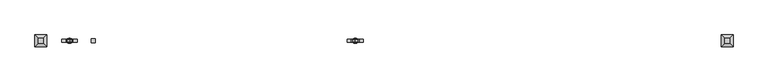
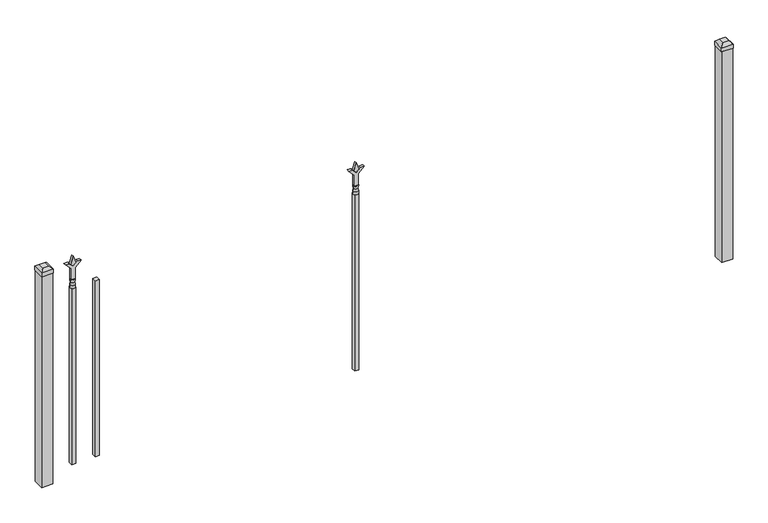
"""IFC4 building model written with IfcOpenShell, lengths in millimetres: railing geometry."""

import ifcopenshell
import ifcopenshell.guid

model = None  # the IFC model being written
_history = None  # IfcOwnerHistory: only IFC2X3 demands one
_inside = {}  # id of a spatial element -> (the spatial element, [elements in it])
_under = {}  # id of a project, library or spatial element -> (it, [spatial elements below it])
_declared = {}  # id of a project -> (the project, [libraries it declares])
_typed = {}  # id of a type object -> (the type object, [elements of that type])
_made_of = {}  # id of a material, layer set ... -> (it, [elements and type objects made of it])


def new_model(schema):
    """Start an empty IFC model of exactly this schema.

    Asked for "IFC4X3", IfcOpenShell would pick the latest addendum, in which some entities
    have other attributes; the version numbers below select the first issue.
    IFC2X3 requires an IfcOwnerHistory on every rooted entity: one is made here for all.
    """
    global model, _history
    if schema == "IFC4X3":
        model = ifcopenshell.file(schema_version=(4, 3, 0, 0))
    else:
        model = ifcopenshell.file(schema=schema)
    _inside.clear()
    _under.clear()
    _declared.clear()
    _typed.clear()
    _made_of.clear()
    _history = None
    if model.schema == "IFC2X3":
        org = make("IfcOrganization", Name="unknown")
        user = make(
            "IfcPersonAndOrganization",
            ThePerson=make("IfcPerson", FamilyName="unknown"),
            TheOrganization=org,
        )
        app = make(
            "IfcApplication",
            ApplicationDeveloper=org,
            Version="unknown",
            ApplicationFullName="unknown",
            ApplicationIdentifier="unknown",
        )
        _history = make(
            "IfcOwnerHistory",
            OwningUser=user,
            OwningApplication=app,
            ChangeAction="ADDED",
            CreationDate=0,
        )
    return model


def make(cls, **values):
    """One entity of the class cls with the attributes given. An attribute that is None is left unset."""
    return model.create_entity(
        cls, **{name: value for name, value in values.items() if value is not None}
    )


def rooted(cls, **values):
    """An entity with a GlobalId (a new one), such as an element, a storey or a relation."""
    return make(cls, GlobalId=ifcopenshell.guid.new(), OwnerHistory=_history, **values)


def si_unit(unit_type, name, prefix=None):
    """IfcSIUnit, for example si_unit("LENGTHUNIT", "METRE", prefix="MILLI")."""
    return make("IfcSIUnit", UnitType=unit_type, Prefix=prefix, Name=name)


def assignment(units):
    """IfcUnitAssignment: the units of a project."""
    return None if units is None else make("IfcUnitAssignment", Units=units)


def point(xyz):
    """IfcCartesianPoint."""
    return None if xyz is None else make("IfcCartesianPoint", Coordinates=xyz)


def direction(xyz):
    """IfcDirection."""
    return None if xyz is None else make("IfcDirection", DirectionRatios=xyz)


def frame(location, z_axis=None, x_axis=None):
    """IfcAxis2Placement3D, a coordinate frame: its origin and axes. An axis left out is left unset."""
    return make(
        "IfcAxis2Placement3D",
        Location=point(location),
        Axis=direction(z_axis),
        RefDirection=direction(x_axis),
    )


def origin():
    """The frame at (0, 0, 0) with its axes left unset."""
    return frame((0.0, 0.0, 0.0))


def origin_with_axes():
    """The frame at (0, 0, 0) with the z axis (0, 0, 1) and the x axis (1, 0, 0) written out."""
    return frame((0.0, 0.0, 0.0), z_axis=(0.0, 0.0, 1.0), x_axis=(1.0, 0.0, 0.0))


def place(relative_to, where):
    """IfcLocalPlacement: puts the frame where relative to a parent placement (None: the world)."""
    return make(
        "IfcLocalPlacement", PlacementRelTo=relative_to, RelativePlacement=where
    )


def context(
    kind, dimensions, precision=None, world=None, true_north=None, identifier=None
):
    """IfcGeometricRepresentationContext, for example the 3D "Model" context."""
    return make(
        "IfcGeometricRepresentationContext",
        ContextIdentifier=identifier,
        ContextType=kind,
        CoordinateSpaceDimension=dimensions,
        Precision=precision,
        WorldCoordinateSystem=world,
        TrueNorth=true_north,
    )


def project(units=None, contexts=None):
    """IfcProject with its units and contexts."""
    return rooted(
        "IfcProject",
        Name="project",
        RepresentationContexts=contexts,
        UnitsInContext=assignment(units),
    )


def spatial(cls, under=None, at=None, **own):
    """A site, building, storey or space (cls), placed at a placement, below another one or the project."""
    s = rooted(cls, ObjectPlacement=at, **own)
    if under is not None:
        _under.setdefault(under.id(), (under, []))[1].append(s)
    return s


def polyline(points):
    """IfcPolyline through the points."""
    return make("IfcPolyline", Points=[point(p) for p in points])


def circle_curve(where, radius):
    """IfcCircle in the frame where."""
    return make("IfcCircle", Position=where, Radius=radius)


def outline(outer, holes=None, kind="AREA"):
    """IfcArbitraryClosedProfileDef: a profile drawn as a closed curve; with holes, ...WithVoids."""
    if holes is None:
        return make("IfcArbitraryClosedProfileDef", ProfileType=kind, OuterCurve=outer)
    return make(
        "IfcArbitraryProfileDefWithVoids",
        ProfileType=kind,
        OuterCurve=outer,
        InnerCurves=holes,
    )


def extrude(swept, where, along, depth):
    """IfcExtrudedAreaSolid: the profile swept, set in the frame where, extruded along a direction by depth."""
    return make(
        "IfcExtrudedAreaSolid",
        SweptArea=swept,
        Position=where,
        ExtrudedDirection=direction(along),
        Depth=depth,
    )


def faces_of(points, faces, orient=None, outer=None):
    """IfcFace entities. A face is a list of loops; a loop is a list of indices into points, from 0.

    orient and outer hold one flag for each loop. By default every Orientation is true, the
    first loop of a face is its IfcFaceOuterBound and the others are IfcFaceBound.
    """
    made = []
    for i, loops in enumerate(faces):
        bounds = []
        for j, loop in enumerate(loops):
            is_outer = j == 0 if outer is None else outer[i][j]
            bounds.append(
                make(
                    "IfcFaceOuterBound" if is_outer else "IfcFaceBound",
                    Bound=make("IfcPolyLoop", Polygon=[points[k] for k in loop]),
                    Orientation=True if orient is None else orient[i][j],
                )
            )
        made.append(make("IfcFace", Bounds=bounds))
    return made


def faceted_brep(points, faces, orient=None, outer=None, voids=None):
    """IfcFacetedBrep: a solid bounded by flat faces; with voids (closed shells), ...WithVoids."""
    shared = [point(p) for p in points]
    hull = make("IfcClosedShell", CfsFaces=faces_of(shared, faces, orient, outer))
    if voids is None:
        return make("IfcFacetedBrep", Outer=hull)
    return make(
        "IfcFacetedBrepWithVoids",
        Outer=hull,
        Voids=[
            make(cls, CfsFaces=faces_of(shared, fs, o, b)) for cls, fs, o, b in voids
        ],
    )


def shape(context_of_items, identifier, shape_type, items):
    """IfcShapeRepresentation: the items that make up one representation, for example the "Body"."""
    return make(
        "IfcShapeRepresentation",
        ContextOfItems=context_of_items,
        RepresentationIdentifier=identifier,
        RepresentationType=shape_type,
        Items=items,
    )


def source(mapping_origin, context_of_items, identifier, shape_type, items):
    """IfcRepresentationMap: a shape defined once, which mapped items show again and again."""
    return make(
        "IfcRepresentationMap",
        MappingOrigin=mapping_origin,
        MappedRepresentation=shape(context_of_items, identifier, shape_type, items),
    )


def transform(
    local_origin,
    x_axis=None,
    y_axis=None,
    z_axis=None,
    scale=None,
    scale2=None,
    scale3=None,
    uniform=True,
):
    """IfcCartesianTransformationOperator3D, or its non-uniform kind. x_axis, y_axis, z_axis: its Axis1, 2, 3."""
    if uniform:
        return make(
            "IfcCartesianTransformationOperator3D",
            Axis1=direction(x_axis),
            Axis2=direction(y_axis),
            LocalOrigin=point(local_origin),
            Scale=scale,
            Axis3=direction(z_axis),
        )
    return make(
        "IfcCartesianTransformationOperator3DnonUniform",
        Axis1=direction(x_axis),
        Axis2=direction(y_axis),
        LocalOrigin=point(local_origin),
        Scale=scale,
        Axis3=direction(z_axis),
        Scale2=scale2,
        Scale3=scale3,
    )


def mapped(mapping_source, mapping_target):
    """IfcMappedItem: shows the shape of a source again, moved by a transform."""
    return make(
        "IfcMappedItem", MappingSource=mapping_source, MappingTarget=mapping_target
    )


def made_of(thing, what):
    """Note that an element or type object is made of a material, layer set ...; save() writes the relation."""
    if what is not None:
        _made_of.setdefault(what.id(), (what, []))[1].append(thing)
    return thing


def element(
    cls,
    number,
    at=None,
    inside=None,
    cuts=None,
    type_object=None,
    material=None,
    context=None,
    identifier="Body",
    shape_type=None,
    held_by="IfcProductDefinitionShape",
    body=None,
    shapes=None,
    **own,
):
    """One element of the class cls, such as IfcWall. Its Tag is "e" and its number.

    at: its placement. inside: the storey or other place that contains it. cuts: it is an
    opening in that element (IfcRelVoidsElement). A single representation is given by context,
    identifier, shape_type and body (its items); several are given by shapes. held_by: the class
    of the entity that holds the representations. save() writes the other relations.
    """
    e = rooted(cls, Tag="e%d" % number, ObjectPlacement=at, **own)
    if body is not None:
        shapes = [shape(context, identifier, shape_type, body)]
    if shapes is not None:
        e.Representation = make(held_by, Representations=shapes)
    if inside is not None:
        _inside.setdefault(inside.id(), (inside, []))[1].append(e)
    if cuts is not None:
        rooted(
            "IfcRelVoidsElement", RelatingBuildingElement=cuts, RelatedOpeningElement=e
        )
    if type_object is not None:
        _typed.setdefault(type_object.id(), (type_object, []))[1].append(e)
    return made_of(e, material)


def aggregate(whole, parts):
    """IfcRelAggregates: a whole, such as a stair, and the parts it consists of."""
    return rooted("IfcRelAggregates", RelatingObject=whole, RelatedObjects=parts)


def save(model, path):
    """Write the relations noted so far, then the file.

    IfcRelAggregates (storeys below a building ...), IfcRelContainedInSpatialStructure (elements
    in a storey), IfcRelDefinesByType, IfcRelAssociatesMaterial and IfcRelDeclares: one each for
    every whole, place, type object, material and project.
    """
    for whole, parts in _under.values():
        aggregate(whole, parts)
    for where, things in _inside.values():
        rooted(
            "IfcRelContainedInSpatialStructure",
            RelatedElements=things,
            RelatingStructure=where,
        )
    for kind, things in _typed.values():
        rooted("IfcRelDefinesByType", RelatedObjects=things, RelatingType=kind)
    for what, things in _made_of.values():
        rooted("IfcRelAssociatesMaterial", RelatedObjects=things, RelatingMaterial=what)
    for by, libraries in _declared.values():
        rooted("IfcRelDeclares", RelatingContext=by, RelatedDefinitions=libraries)
    model.write(path)


def plane_surface(at):
    """IfcPlane: the flat surface through the origin of the frame at, square to its z axis."""
    return make("IfcPlane", Position=at)


def cylinder_surface(at, radius):
    """IfcCylindricalSurface: all points at the distance radius from the z axis of the frame at."""
    return make("IfcCylindricalSurface", Position=at, Radius=radius)


def revolved_surface(curve, axis_point, axis_direction):
    """IfcSurfaceOfRevolution: the curve turned about the line through axis_point along axis_direction."""
    return make(
        "IfcSurfaceOfRevolution",
        SweptCurve=make("IfcArbitraryOpenProfileDef", ProfileType="CURVE", Curve=curve),
        AxisPosition=make("IfcAxis1Placement", Location=point(axis_point), Axis=direction(axis_direction)),
    )


def advanced_brep(points, edges, surfaces, faces):
    """IfcAdvancedBrep: a solid bounded by faces that lie on surfaces and meet in shared edges.

    An edge is (start, end): straight between two places in points (the first is 0);
    or (start, end, curve); or (start, end, curve, False) where it runs against its curve.
    A face is (place in surfaces, loops), or (place, loops, False) where it looks against
    its surface's normal. A loop lists edges by number (the first is 1), with a minus sign
    where the edge is run from its end to its start. The first loop is the outer one.
    """
    corners = [point(p) for p in points]
    vertices = [make("IfcVertexPoint", VertexGeometry=c) for c in corners]
    made = []
    for start, end, *more in edges:
        made.append(
            make(
                "IfcEdgeCurve",
                EdgeStart=vertices[start],
                EdgeEnd=vertices[end],
                EdgeGeometry=more[0] if more else make("IfcPolyline", Points=[corners[start], corners[end]]),
                SameSense=more[1] if len(more) > 1 else True,
            )
        )
    hull = []
    for where, loops, *sense in faces:
        bounds = []
        for j, loop in enumerate(loops):
            ring = [make("IfcOrientedEdge", EdgeElement=made[abs(k) - 1], Orientation=k > 0) for k in loop]
            bounds.append(
                make(
                    "IfcFaceOuterBound" if j == 0 else "IfcFaceBound",
                    Bound=make("IfcEdgeLoop", EdgeList=ring),
                    Orientation=True,
                )
            )
        hull.append(make("IfcAdvancedFace", Bounds=bounds, FaceSurface=surfaces[where], SameSense=sense[0] if sense else True))
    return make("IfcAdvancedBrep", Outer=make("IfcClosedShell", CfsFaces=hull))


def railing_79447b74(model_context):
    return source(origin(), model_context, "Body", "SolidModel", [
        extrude(outline(polyline([(-85497.8076703, 5470.2679826), (-85478.7576703, 5470.2679826), (-85478.7576703, 5451.2179826), (-85497.8076703, 5451.2179826), (-85497.8076703, 5470.2679826)])), frame((0.0, 0.0, 50.8), z_axis=(0.0, 0.0, 1.0), x_axis=(1.0, 0.0, 0.0)), (0.0, 0.0, 1.0), 863.6),
        extrude(outline(polyline([(1031.08125, -84274.374337), (1066.8, -84286.280587), (1031.08125, -84298.186837), (1019.175, -84286.280587), (1031.08125, -84274.374337)])), frame((0.0, 5455.9804826, 0.0), z_axis=(0.0, 1.0, 0.0), x_axis=(0.0, 0.0, 1.0)), (0.0, 0.0, 1.0), 9.525),
        extrude(outline(polyline([(955.675, -84277.549337), (1009.9457378, -84277.549337), (1037.1355122, -84250.3595625), (1037.1355122, -84268.3200747), (1019.175, -84286.280587), (1037.1355122, -84304.2410992), (1037.1355122, -84322.2016114), (1009.9457378, -84295.011837), (955.675, -84295.011837), (955.675, -84277.549337)])), frame((0.0, 5454.3929826, 0.0), z_axis=(0.0, 1.0, 0.0), x_axis=(0.0, 0.0, 1.0)), (0.0, 0.0, 1.0), 12.7),
        advanced_brep(
        [(-84274.374337, 5460.7429826, 927.1), (-84298.186837, 5460.7429826, 927.1), (-84298.186837, 5460.7429826, 914.4), (-84274.374337, 5460.7429826, 914.4), (-84276.5796688, 5460.7429826, 939.6070585), (-84295.9815051, 5460.7429826, 939.6070585), (-84274.374337, 5460.7429826, 955.675), (-84298.186837, 5460.7429826, 955.675), (-84286.280587, 5460.7429826, 955.675), (-84286.280587, 5460.7429826, 914.4)],
        [
            (0, 1, circle_curve(frame((-84286.280587, 5460.7429826, 927.1), z_axis=(0.0, 0.0, -1.0), x_axis=(-1.0, 0.0, 0.0)), 11.90625)),
            (1, 2),
            (2, 3, circle_curve(frame((-84286.280587, 5460.7429826, 914.4), z_axis=(0.0, 0.0, 1.0), x_axis=(-1.0, 0.0, 0.0)), 11.90625)),
            (3, 0),
            (1, 0, circle_curve(frame((-84286.280587, 5460.7429826, 927.1), z_axis=(0.0, 0.0, -1.0), x_axis=(-1.0, 0.0, 0.0)), 11.90625)),
            (3, 2, circle_curve(frame((-84286.280587, 5460.7429826, 914.4), z_axis=(0.0, 0.0, 1.0), x_axis=(-1.0, 0.0, 0.0)), 11.90625)),
            (4, 5, circle_curve(frame((-84286.280587, 5460.7429826, 939.6070585), z_axis=(0.0, 0.0, -1.0), x_axis=(-1.0, 0.0, 0.0)), 9.7009181)),
            (5, 1),
            (0, 4),
            (5, 4, circle_curve(frame((-84286.280587, 5460.7429826, 939.6070585), z_axis=(0.0, 0.0, -1.0), x_axis=(-1.0, 0.0, 0.0)), 9.7009181)),
            (6, 7, circle_curve(frame((-84286.280587, 5460.7429826, 955.675), z_axis=(0.0, 0.0, -1.0), x_axis=(-1.0, 0.0, 0.0)), 11.90625)),
            (7, 5),
            (4, 6),
            (7, 6, circle_curve(frame((-84286.280587, 5460.7429826, 955.675), z_axis=(0.0, 0.0, -1.0), x_axis=(-1.0, 0.0, 0.0)), 11.90625)),
            (8, 7),
            (6, 8),
            (2, 9),
            (9, 3),
        ],
        [
            cylinder_surface(frame((-84286.280587, 5460.7429826, 914.4), z_axis=(0.0, 0.0, 1.0), x_axis=(-1.0, 0.0, 0.0)), 11.90625),
            revolved_surface(polyline([(-84298.186837, 5460.7429826, 927.1), (-84295.9815051, 5460.7429826, 939.6070585)]), (-84286.280587, 5460.7429826, 914.4), (0.0, 0.0, 1.0)),
            revolved_surface(polyline([(-84295.9815051, 5460.7429826, 939.6070585), (-84298.186837, 5460.7429826, 955.675)]), (-84286.280587, 5460.7429826, 914.4), (0.0, 0.0, 1.0)),
            plane_surface(frame((-84286.280587, 5460.7429826, 955.675), z_axis=(0.0, 0.0, 1.0), x_axis=(-1.0, 0.0, 0.0))),
            plane_surface(frame((-84286.280587, 5460.7429826, 914.4), z_axis=(0.0, 0.0, -1.0), x_axis=(-1.0, 0.0, 0.0))),
        ],
        [
            (0, [[1, 2, 3, 4]]),
            (0, [[5, -4, 6, -2]]),
            (1, [[7, 8, -1, 9]]),
            (1, [[10, -9, -5, -8]]),
            (2, [[11, 12, -7, 13]]),
            (2, [[14, -13, -10, -12]]),
            (3, [[15, -11, 16]]),
            (3, [[-16, -14, -15]]),
            (4, [[-3, 17, 18]]),
            (4, [[-6, -18, -17]]),
        ],
    ),
        extrude(outline(polyline([(-84295.805587, 5470.2679826), (-84276.755587, 5470.2679826), (-84276.755587, 5451.2179826), (-84295.805587, 5451.2179826), (-84295.805587, 5470.2679826)])), frame((0.0, 0.0, 50.8), z_axis=(0.0, 0.0, 1.0), x_axis=(1.0, 0.0, 0.0)), (0.0, 0.0, 1.0), 863.6),
        extrude(outline(polyline([(1031.08125, -85585.649337), (1066.8, -85597.555587), (1031.08125, -85609.461837), (1019.175, -85597.555587), (1031.08125, -85585.649337)])), frame((0.0, 5455.9804826, 0.0), z_axis=(0.0, 1.0, 0.0), x_axis=(0.0, 0.0, 1.0)), (0.0, 0.0, 1.0), 9.525),
        extrude(outline(polyline([(955.675, -85588.824337), (1009.9457378, -85588.824337), (1037.1355122, -85561.6345625), (1037.1355122, -85579.5950747), (1019.175, -85597.555587), (1037.1355122, -85615.5160992), (1037.1355122, -85633.4766114), (1009.9457378, -85606.286837), (955.675, -85606.286837), (955.675, -85588.824337)])), frame((0.0, 5454.3929826, 0.0), z_axis=(0.0, 1.0, 0.0), x_axis=(0.0, 0.0, 1.0)), (0.0, 0.0, 1.0), 12.7),
        advanced_brep(
        [(-85585.649337, 5460.7429826, 927.1), (-85609.461837, 5460.7429826, 927.1), (-85609.461837, 5460.7429826, 914.4), (-85585.649337, 5460.7429826, 914.4), (-85587.8546688, 5460.7429826, 939.6070585), (-85607.2565051, 5460.7429826, 939.6070585), (-85585.649337, 5460.7429826, 955.675), (-85609.461837, 5460.7429826, 955.675), (-85597.555587, 5460.7429826, 955.675), (-85597.555587, 5460.7429826, 914.4)],
        [
            (0, 1, circle_curve(frame((-85597.555587, 5460.7429826, 927.1), z_axis=(0.0, 0.0, -1.0), x_axis=(-1.0, 0.0, 0.0)), 11.90625)),
            (1, 2),
            (2, 3, circle_curve(frame((-85597.555587, 5460.7429826, 914.4), z_axis=(0.0, 0.0, 1.0), x_axis=(-1.0, 0.0, 0.0)), 11.90625)),
            (3, 0),
            (1, 0, circle_curve(frame((-85597.555587, 5460.7429826, 927.1), z_axis=(0.0, 0.0, -1.0), x_axis=(-1.0, 0.0, 0.0)), 11.90625)),
            (3, 2, circle_curve(frame((-85597.555587, 5460.7429826, 914.4), z_axis=(0.0, 0.0, 1.0), x_axis=(-1.0, 0.0, 0.0)), 11.90625)),
            (4, 5, circle_curve(frame((-85597.555587, 5460.7429826, 939.6070585), z_axis=(0.0, 0.0, -1.0), x_axis=(-1.0, 0.0, 0.0)), 9.7009181)),
            (5, 1),
            (0, 4),
            (5, 4, circle_curve(frame((-85597.555587, 5460.7429826, 939.6070585), z_axis=(0.0, 0.0, -1.0), x_axis=(-1.0, 0.0, 0.0)), 9.7009181)),
            (6, 7, circle_curve(frame((-85597.555587, 5460.7429826, 955.675), z_axis=(0.0, 0.0, -1.0), x_axis=(-1.0, 0.0, 0.0)), 11.90625)),
            (7, 5),
            (4, 6),
            (7, 6, circle_curve(frame((-85597.555587, 5460.7429826, 955.675), z_axis=(0.0, 0.0, -1.0), x_axis=(-1.0, 0.0, 0.0)), 11.90625)),
            (8, 7),
            (6, 8),
            (2, 9),
            (9, 3),
        ],
        [
            cylinder_surface(frame((-85597.555587, 5460.7429826, 914.4), z_axis=(0.0, 0.0, 1.0), x_axis=(-1.0, 0.0, 0.0)), 11.90625),
            revolved_surface(polyline([(-85609.461837, 5460.7429826, 927.1), (-85607.2565051, 5460.7429826, 939.6070585)]), (-85597.555587, 5460.7429826, 914.4), (0.0, 0.0, 1.0)),
            revolved_surface(polyline([(-85607.2565051, 5460.7429826, 939.6070585), (-85609.461837, 5460.7429826, 955.675)]), (-85597.555587, 5460.7429826, 914.4), (0.0, 0.0, 1.0)),
            plane_surface(frame((-85597.555587, 5460.7429826, 955.675), z_axis=(0.0, 0.0, 1.0), x_axis=(-1.0, 0.0, 0.0))),
            plane_surface(frame((-85597.555587, 5460.7429826, 914.4), z_axis=(0.0, 0.0, -1.0), x_axis=(-1.0, 0.0, 0.0))),
        ],
        [
            (0, [[1, 2, 3, 4]]),
            (0, [[5, -4, 6, -2]]),
            (1, [[7, 8, -1, 9]]),
            (1, [[10, -9, -5, -8]]),
            (2, [[11, 12, -7, 13]]),
            (2, [[14, -13, -10, -12]]),
            (3, [[15, -11, 16]]),
            (3, [[-16, -14, -15]]),
            (4, [[-3, 17, 18]]),
            (4, [[-6, -18, -17]]),
        ],
    ),
        extrude(outline(polyline([(-85607.080587, 5470.2679826), (-85588.030587, 5470.2679826), (-85588.030587, 5451.2179826), (-85607.080587, 5451.2179826), (-85607.080587, 5470.2679826)])), frame((0.0, 0.0, 50.8), z_axis=(0.0, 0.0, 1.0), x_axis=(1.0, 0.0, 0.0)), (0.0, 0.0, 1.0), 863.6),
        faceted_brep([(-82606.705587, 5487.7304826, 1054.1), (-82606.705587, 5487.7304826, 1035.05), (-82606.705587, 5433.7554826, 1035.05), (-82606.705587, 5433.7554826, 1054.1), (-82594.005587, 5475.0304826, 1066.8), (-82594.005587, 5446.4554826, 1066.8), (-82552.730587, 5433.7554826, 1035.05), (-82552.730587, 5433.7554826, 1054.1), (-82565.430587, 5446.4554826, 1066.8), (-82552.730587, 5487.7304826, 1035.05), (-82552.730587, 5487.7304826, 1054.1), (-82565.430587, 5475.0304826, 1066.8)], [[[0, 1, 2, 3]], [[4, 0, 3, 5]], [[3, 2, 6, 7]], [[5, 3, 7, 8]], [[7, 6, 9, 10]], [[8, 7, 10, 11]], [[10, 9, 1, 0]], [[11, 10, 0, 4]], [[5, 8, 11, 4]], [[1, 9, 6, 2]]]),
        extrude(outline(polyline([(-82554.318087, 5486.1429826), (-82554.318087, 5435.3429826), (-82605.118087, 5435.3429826), (-82605.118087, 5486.1429826), (-82554.318087, 5486.1429826)])), origin_with_axes(), (0.0, 0.0, 1.0), 1035.05),
        faceted_brep([(-85756.305587, 5487.7304826, 1054.1), (-85756.305587, 5487.7304826, 1035.05), (-85756.305587, 5433.7554826, 1035.05), (-85756.305587, 5433.7554826, 1054.1), (-85743.605587, 5475.0304826, 1066.8), (-85743.605587, 5446.4554826, 1066.8), (-85702.330587, 5433.7554826, 1035.05), (-85702.330587, 5433.7554826, 1054.1), (-85715.030587, 5446.4554826, 1066.8), (-85702.330587, 5487.7304826, 1035.05), (-85702.330587, 5487.7304826, 1054.1), (-85715.030587, 5475.0304826, 1066.8)], [[[0, 1, 2, 3]], [[4, 0, 3, 5]], [[3, 2, 6, 7]], [[5, 3, 7, 8]], [[7, 6, 9, 10]], [[8, 7, 10, 11]], [[10, 9, 1, 0]], [[11, 10, 0, 4]], [[5, 8, 11, 4]], [[1, 9, 6, 2]]]),
        extrude(outline(polyline([(-85703.918087, 5486.1429826), (-85703.918087, 5435.3429826), (-85754.718087, 5435.3429826), (-85754.718087, 5486.1429826), (-85703.918087, 5486.1429826)])), origin_with_axes(), (0.0, 0.0, 1.0), 1035.05),
    ])


if __name__ == "__main__":
    model = new_model("IFC4")
    model_context = context("Model", 3, world=origin())
    ifc_project = project(units=[si_unit("LENGTHUNIT", "METRE", prefix="MILLI")], contexts=[model_context])
    site = spatial("IfcSite", under=ifc_project)
    building = spatial("IfcBuilding", under=site)
    placement = place(None, origin())
    railing_shape = railing_79447b74(model_context)
    element("IfcRailing", 1, at=placement, inside=building, context=model_context, shape_type="MappedRepresentation", body=[
        mapped(railing_shape, transform((0.0, 0.0, 0.0), x_axis=(1.0, 0.0, 0.0), y_axis=(0.0, 1.0, 0.0), z_axis=(0.0, 0.0, 1.0))),
    ])
    save(model, "model.ifc")
